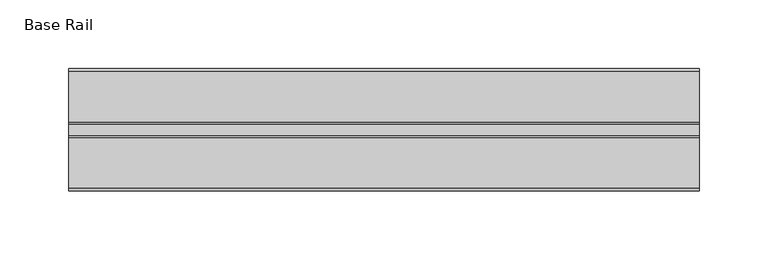
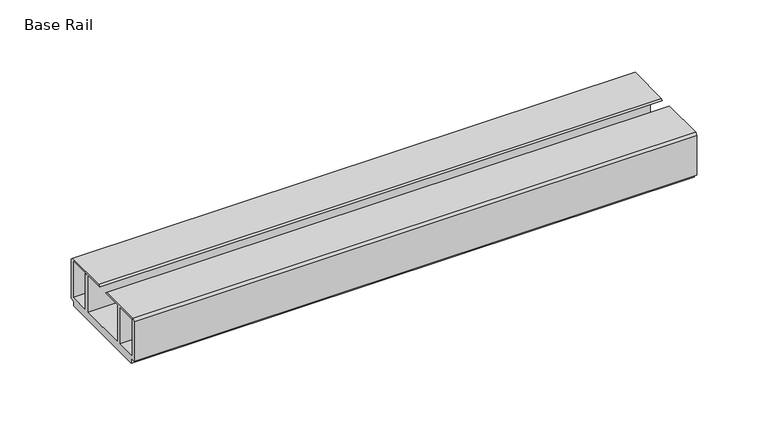
"""IFC4 building model written with IfcOpenShell, lengths in millimetres: furniture geometry, Base Rail."""

from ifc_helpers import new_model, si_unit, frame, origin, place, context, project, spatial, polyline, outline, extrude, source, transform, mapped, element, save


def base_rail_f38cb942(model_context):
    return source(origin(), model_context, "Body", "SweptSolid", [
        extrude(outline(polyline([(-28.948195, 4.0000001), (-28.948195, 38.1), (-27.0760904, 39.6875), (9.945555, 39.6875), (11.0906449, 38.5424102), (-26.1481963, 38.5424102), (-26.1481963, 6.6000002), (-8.7481957, 6.6000002), (-8.7481957, 38.1), (-5.4481956, 38.1), (-5.4481956, 6.6000002), (36.4518057, 6.6000002), (36.4518057, 38.1), (39.7518058, 38.1), (39.7518058, 6.6000002), (57.1518064, 6.6000002), (57.1518064, 38.5424102), (19.9129652, 38.5424102), (21.058055, 39.6875), (58.0797005, 39.6875), (59.951805, 38.1), (59.951805, 4.0000001), (55.9518063, 4.0000001), (55.9518063, 0.0), (-24.9481962, 0.0), (-24.9481962, 4.0000001), (-28.948195, 4.0000001)])), frame((-198.6228469, 0.0, 0.0), z_axis=(1.0, 0.0, 0.0), x_axis=(0.0, 1.0, 0.0)), (0.0, 0.0, 1.0), 457.2),
    ])


if __name__ == "__main__":
    model = new_model("IFC4")
    model_context = context("Model", 3, world=origin())
    ifc_project = project(units=[si_unit("LENGTHUNIT", "METRE", prefix="MILLI")], contexts=[model_context])
    site = spatial("IfcSite", under=ifc_project)
    building = spatial("IfcBuilding", under=site)
    placement = place(None, origin())
    base_rail_shape = base_rail_f38cb942(model_context)
    element("IfcFurniture", 1, ObjectType="Base Rail", at=placement, inside=building, context=model_context, shape_type="MappedRepresentation", body=[
        mapped(base_rail_shape, transform((0.0, 0.0, 0.0), x_axis=(1.0, 0.0, 0.0), y_axis=(0.0, 1.0, 0.0), z_axis=(0.0, 0.0, 1.0))),
    ])
    save(model, "model.ifc")
